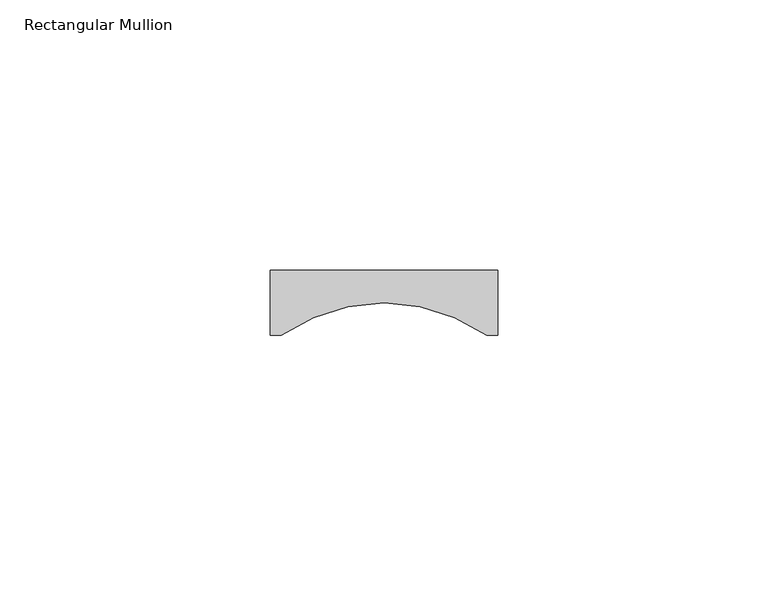
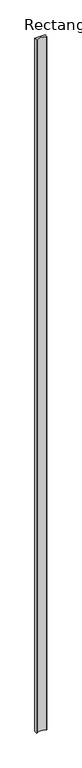
"""IFC4 building model written with IfcOpenShell, lengths in millimetres: member geometry, Rectangular Mullion."""

from ifc_helpers import new_model, si_unit, point, frame, frame_2d, origin, place, context, project, spatial, polyline, circle_curve, trimmed, segment, composite_curve, outline, extrude, source, transform, mapped, element, save


def rectangular_mullion_cb9dc0ed(model_context):
    return source(origin(), model_context, "Body", "SweptSolid", [
        extrude(outline(composite_curve([segment(polyline([(-21.0, -12.0), (-21.0, 0.0), (21.0, 0.0), (21.0, -12.0), (19.0, -12.0)]), True, "CONTINUOUS"), segment(trimmed(circle_curve(frame_2d((0.0, -39.0290149)), 33.0388808), [point((19.0, -12.0))], [point((-19.0, -12.0))], True, "CARTESIAN"), True, "CONTINUOUS"), segment(polyline([(-19.0, -12.0), (-21.0, -12.0)]), True, "CONTINUOUS")], self_intersect=False)), frame((0.0, 0.0, -3000.0), z_axis=(0.0, 0.0, 1.0), x_axis=(1.0, 0.0, 0.0)), (0.0, 0.0, 1.0), 3000.0),
    ])


if __name__ == "__main__":
    model = new_model("IFC4")
    model_context = context("Model", 3, world=origin())
    ifc_project = project(units=[si_unit("LENGTHUNIT", "METRE", prefix="MILLI")], contexts=[model_context])
    site = spatial("IfcSite", under=ifc_project)
    building = spatial("IfcBuilding", under=site)
    placement = place(None, origin())
    rectangular_mullion_shape = rectangular_mullion_cb9dc0ed(model_context)
    element("IfcMember", 1, ObjectType="Rectangular Mullion", at=placement, inside=building, context=model_context, shape_type="MappedRepresentation", body=[
        mapped(rectangular_mullion_shape, transform((0.0, 0.0, 0.0), x_axis=(1.0, 0.0, 0.0), y_axis=(0.0, 1.0, 0.0), z_axis=(0.0, 0.0, 1.0))),
    ])
    save(model, "model.ifc")
